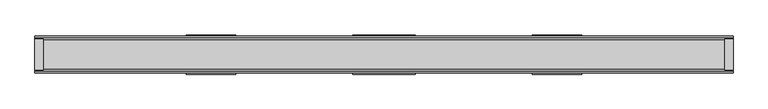
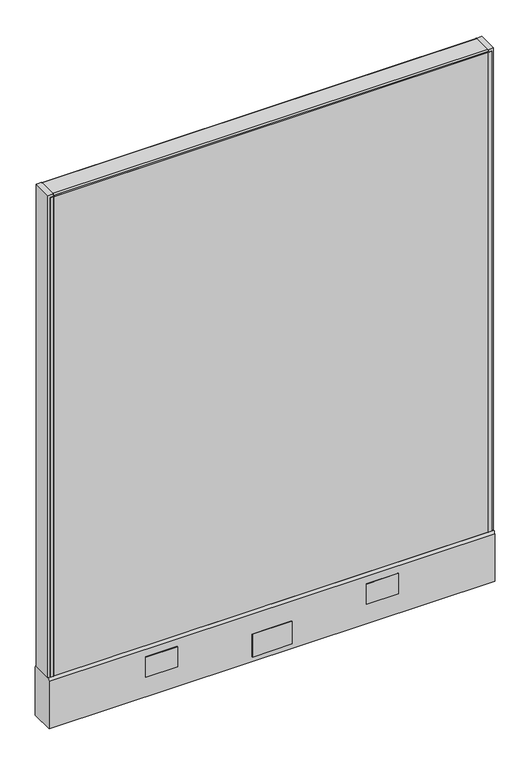
"""IFC4 building model written with IfcOpenShell, lengths in millimetres: furniture geometry."""

from ifc_helpers import new_model, si_unit, point, frame, frame_2d, origin, place, context, project, spatial, polyline, circle_curve, trimmed, segment, composite_curve, outline, extrude, source, transform, mapped, element, save
from ifc_brep_helpers import plane_surface, cylinder_surface, advanced_brep


def furniture_3b9d6d40(model_context):
    return source(origin(), model_context, "Body", "SolidModel", [
        extrude(outline(polyline([(520.7, 25.4), (520.7, 0.0), (-520.7, 0.0), (-520.7, 25.4), (520.7, 25.4)])), frame((0.0, 0.0, 136.525), z_axis=(0.0, 0.0, 1.0), x_axis=(1.0, 0.0, 0.0)), (0.0, 0.0, 1.0), 1212.85),
        extrude(outline(polyline([(47.625, 28.575), (-47.625, 28.575), (-47.625, 30.1625), (47.625, 30.1625), (47.625, 28.575)])), frame((0.0, 0.0, 22.225), z_axis=(0.0, 0.0, 1.0), x_axis=(1.0, 0.0, 0.0)), (0.0, 0.0, 1.0), 57.15),
        extrude(outline(polyline([(47.625, -30.1625), (-47.625, -30.1625), (-47.625, -28.575), (47.625, -28.575), (47.625, -30.1625)])), frame((0.0, 0.0, 22.225), z_axis=(0.0, 0.0, 1.0), x_axis=(1.0, 0.0, 0.0)), (0.0, 0.0, 1.0), 57.15),
        advanced_brep(
        [(476.25, 0.0, 0.0), (501.65, 0.0, 0.0), (488.95, 0.0, 0.0), (476.25, 0.0, 4.7625), (501.65, 0.0, 4.7625), (482.6, 0.0, 4.7625), (495.3, 0.0, 4.7625), (482.6, 0.0, 111.125), (495.3, 0.0, 111.125), (488.95, 0.0, 111.125)],
        [
            (0, 1, circle_curve(frame((488.95, 0.0, 0.0), z_axis=(0.0, 0.0, -1.0), x_axis=(1.0, 0.0, 0.0)), 12.7)),
            (1, 2),
            (2, 0),
            (1, 0, circle_curve(frame((488.95, 0.0, 0.0), z_axis=(0.0, 0.0, -1.0), x_axis=(1.0, 0.0, 0.0)), 12.7)),
            (3, 4, circle_curve(frame((488.95, 0.0, 4.7625), z_axis=(0.0, 0.0, -1.0), x_axis=(1.0, 0.0, 0.0)), 12.7)),
            (4, 1),
            (0, 3),
            (4, 3, circle_curve(frame((488.95, 0.0, 4.7625), z_axis=(0.0, 0.0, -1.0), x_axis=(1.0, 0.0, 0.0)), 12.7)),
            (5, 6, circle_curve(frame((488.95, 0.0, 4.7625), z_axis=(0.0, 0.0, -1.0), x_axis=(1.0, 0.0, 0.0)), 6.35)),
            (6, 4),
            (3, 5),
            (6, 5, circle_curve(frame((488.95, 0.0, 4.7625), z_axis=(0.0, 0.0, -1.0), x_axis=(1.0, 0.0, 0.0)), 6.35)),
            (7, 8, circle_curve(frame((488.95, 0.0, 111.125), z_axis=(0.0, 0.0, -1.0), x_axis=(1.0, 0.0, 0.0)), 6.35)),
            (8, 6),
            (5, 7),
            (8, 7, circle_curve(frame((488.95, 0.0, 111.125), z_axis=(0.0, 0.0, -1.0), x_axis=(1.0, 0.0, 0.0)), 6.35)),
            (9, 8),
            (7, 9),
        ],
        [
            plane_surface(frame((488.95, 0.0, 0.0), z_axis=(0.0, 0.0, -1.0), x_axis=(1.0, 0.0, 0.0))),
            cylinder_surface(frame((488.95, 0.0, 114.882153), z_axis=(0.0, 0.0, 1.0), x_axis=(1.0, 0.0, 0.0)), 12.7),
            plane_surface(frame((488.95, 0.0, 4.7625), z_axis=(0.0, 0.0, 1.0), x_axis=(1.0, 0.0, 0.0))),
            cylinder_surface(frame((488.95, 0.0, 114.882153), z_axis=(0.0, 0.0, 1.0), x_axis=(1.0, 0.0, 0.0)), 6.35),
            plane_surface(frame((488.95, 0.0, 111.125), z_axis=(0.0, 0.0, 1.0), x_axis=(1.0, 0.0, 0.0))),
        ],
        [
            (0, [[1, 2, 3]]),
            (0, [[4, -3, -2]]),
            (1, [[5, 6, -1, 7]]),
            (1, [[8, -7, -4, -6]]),
            (2, [[9, 10, -5, 11]]),
            (2, [[12, -11, -8, -10]]),
            (3, [[13, 14, -9, 15]]),
            (3, [[16, -15, -12, -14]]),
            (4, [[17, -13, 18]]),
            (4, [[-18, -16, -17]]),
        ],
    ),
        advanced_brep(
        [(-501.65, 0.0, 4.7625), (-476.25, 0.0, 4.7625), (-476.25, 0.0, 0.0), (-501.65, 0.0, 0.0), (-495.3, 0.0, 4.7625), (-482.6, 0.0, 4.7625), (-495.3, 0.0, 111.125), (-482.6, 0.0, 111.125), (-488.95, 0.0, 111.125), (-488.95, 0.0, 0.0)],
        [
            (0, 1, circle_curve(frame((-488.95, 0.0, 4.7625), z_axis=(0.0, 0.0, -1.0), x_axis=(1.0, 0.0, 0.0)), 12.7)),
            (1, 2),
            (2, 3, circle_curve(frame((-488.95, 0.0, 0.0), z_axis=(0.0, 0.0, 1.0), x_axis=(1.0, 0.0, 0.0)), 12.7)),
            (3, 0),
            (1, 0, circle_curve(frame((-488.95, 0.0, 4.7625), z_axis=(0.0, 0.0, -1.0), x_axis=(1.0, 0.0, 0.0)), 12.7)),
            (3, 2, circle_curve(frame((-488.95, 0.0, 0.0), z_axis=(0.0, 0.0, 1.0), x_axis=(1.0, 0.0, 0.0)), 12.7)),
            (4, 5, circle_curve(frame((-488.95, 0.0, 4.7625), z_axis=(0.0, 0.0, -1.0), x_axis=(1.0, 0.0, 0.0)), 6.35)),
            (5, 1),
            (0, 4),
            (5, 4, circle_curve(frame((-488.95, 0.0, 4.7625), z_axis=(0.0, 0.0, -1.0), x_axis=(1.0, 0.0, 0.0)), 6.35)),
            (6, 7, circle_curve(frame((-488.95, 0.0, 111.125), z_axis=(0.0, 0.0, -1.0), x_axis=(1.0, 0.0, 0.0)), 6.35)),
            (7, 5),
            (4, 6),
            (7, 6, circle_curve(frame((-488.95, 0.0, 111.125), z_axis=(0.0, 0.0, -1.0), x_axis=(1.0, 0.0, 0.0)), 6.35)),
            (8, 7),
            (6, 8),
            (2, 9),
            (9, 3),
        ],
        [
            cylinder_surface(frame((-488.95, 0.0, 123.825), z_axis=(0.0, 0.0, 1.0), x_axis=(1.0, 0.0, 0.0)), 12.7),
            plane_surface(frame((-488.95, 0.0, 4.7625), z_axis=(0.0, 0.0, 1.0), x_axis=(1.0, 0.0, 0.0))),
            cylinder_surface(frame((-488.95, 0.0, 123.825), z_axis=(0.0, 0.0, 1.0), x_axis=(1.0, 0.0, 0.0)), 6.35),
            plane_surface(frame((-488.95, 0.0, 111.125), z_axis=(0.0, 0.0, 1.0), x_axis=(1.0, 0.0, 0.0))),
            plane_surface(frame((-488.95, 0.0, 0.0), z_axis=(0.0, 0.0, -1.0), x_axis=(1.0, 0.0, 0.0))),
        ],
        [
            (0, [[1, 2, 3, 4]]),
            (0, [[5, -4, 6, -2]]),
            (1, [[7, 8, -1, 9]]),
            (1, [[10, -9, -5, -8]]),
            (2, [[11, 12, -7, 13]]),
            (2, [[14, -13, -10, -12]]),
            (3, [[15, -11, 16]]),
            (3, [[-16, -14, -15]]),
            (4, [[-3, 17, 18]]),
            (4, [[-6, -18, -17]]),
        ],
    ),
        extrude(outline(polyline([(-533.4, 23.8125), (-520.7, 23.8125), (-520.7, -23.8125), (-533.4, -23.8125), (-533.4, 23.8125)])), frame((0.0, 0.0, 136.525), z_axis=(0.0, 0.0, 1.0), x_axis=(1.0, 0.0, 0.0)), (0.0, 0.0, 1.0), 1219.2),
        extrude(outline(polyline([(533.4, 23.8125), (533.4, -23.8125), (520.7, -23.8125), (520.7, 23.8125), (533.4, 23.8125)])), frame((0.0, 0.0, 136.525), z_axis=(0.0, 0.0, 1.0), x_axis=(1.0, 0.0, 0.0)), (0.0, 0.0, 1.0), 1219.2),
        extrude(outline(polyline([(-520.7, 25.4), (-520.7, 23.8125), (-528.6375, 23.8125), (-528.6375, 25.4), (-520.7, 25.4)])), frame((0.0, 0.0, 136.525), z_axis=(0.0, 0.0, 1.0), x_axis=(1.0, 0.0, 0.0)), (0.0, 0.0, 1.0), 1212.85),
        extrude(outline(polyline([(-520.7, -25.4), (-528.6375, -25.4), (-528.6375, -23.8125), (-520.7, -23.8125), (-520.7, -25.4)])), frame((0.0, 0.0, 136.525), z_axis=(0.0, 0.0, 1.0), x_axis=(1.0, 0.0, 0.0)), (0.0, 0.0, 1.0), 1212.85),
        extrude(outline(polyline([(528.6375, 25.4), (528.6375, 23.8125), (520.7, 23.8125), (520.7, 25.4), (528.6375, 25.4)])), frame((0.0, 0.0, 136.525), z_axis=(0.0, 0.0, 1.0), x_axis=(1.0, 0.0, 0.0)), (0.0, 0.0, 1.0), 1212.85),
        extrude(outline(polyline([(520.7, -23.8125), (528.6375, -23.8125), (528.6375, -25.4), (520.7, -25.4), (520.7, -23.8125)])), frame((0.0, 0.0, 136.525), z_axis=(0.0, 0.0, 1.0), x_axis=(1.0, 0.0, 0.0)), (0.0, 0.0, 1.0), 1212.85),
        extrude(outline(composite_curve([segment(trimmed(circle_curve(frame_2d((22.225, 1352.55)), 3.175), [point((22.225, 1355.725))], [point((25.4, 1352.55))], False, "CARTESIAN"), True, "CONTINUOUS"), segment(polyline([(25.4, 1352.55), (25.4, 1349.375), (-25.4, 1349.375), (-25.4, 1352.55)]), True, "CONTINUOUS"), segment(trimmed(circle_curve(frame_2d((-22.225, 1352.55)), 3.175), [point((-25.4, 1352.55))], [point((-22.225, 1355.725))], False, "CARTESIAN"), True, "CONTINUOUS"), segment(polyline([(-22.225, 1355.725), (22.225, 1355.725)]), True, "CONTINUOUS")], self_intersect=False)), frame((-520.7, 0.0, 0.0), z_axis=(1.0, 0.0, 0.0), x_axis=(0.0, 1.0, 0.0)), (0.0, 0.0, 1.0), 1041.4),
        extrude(outline(polyline([(302.514, 30.1625), (302.514, 28.575), (226.206184, 28.575), (226.206184, 30.1625), (302.514, 30.1625)])), frame((0.0, 0.0, 60.325), z_axis=(0.0, 0.0, 1.0), x_axis=(1.0, 0.0, 0.0)), (0.0, 0.0, 1.0), 50.8),
        extrude(outline(polyline([(-226.206184, 30.1625), (-226.206184, 28.575), (-302.514, 28.575), (-302.514, 30.1625), (-226.206184, 30.1625)])), frame((0.0, 0.0, 60.325), z_axis=(0.0, 0.0, 1.0), x_axis=(1.0, 0.0, 0.0)), (0.0, 0.0, 1.0), 50.8),
        extrude(outline(polyline([(302.514, -28.575), (302.514, -30.1625), (226.206184, -30.1625), (226.206184, -28.575), (302.514, -28.575)])), frame((0.0, 0.0, 60.325), z_axis=(0.0, 0.0, 1.0), x_axis=(1.0, 0.0, 0.0)), (0.0, 0.0, 1.0), 50.8),
        extrude(outline(polyline([(-226.206184, -28.575), (-226.206184, -30.1625), (-302.514, -30.1625), (-302.514, -28.575), (-226.206184, -28.575)])), frame((0.0, 0.0, 60.325), z_axis=(0.0, 0.0, 1.0), x_axis=(1.0, 0.0, 0.0)), (0.0, 0.0, 1.0), 50.8),
        extrude(outline(composite_curve([segment(trimmed(circle_curve(frame_2d((20.6375, 130.175)), 7.9375), [point((25.4, 136.525))], [point((28.575, 130.175))], False, "CARTESIAN"), True, "CONTINUOUS"), segment(polyline([(28.575, 130.175), (28.575, 9.525), (-28.575, 9.525), (-28.575, 130.175)]), True, "CONTINUOUS"), segment(trimmed(circle_curve(frame_2d((-20.6375, 130.175)), 7.9375), [point((-28.575, 130.175))], [point((-25.4, 136.525))], False, "CARTESIAN"), True, "CONTINUOUS"), segment(polyline([(-25.4, 136.525), (25.4, 136.525)]), True, "CONTINUOUS")], self_intersect=False)), frame((-533.4, 0.0, 0.0), z_axis=(1.0, 0.0, 0.0), x_axis=(0.0, 1.0, 0.0)), (0.0, 0.0, 1.0), 1066.8),
        extrude(outline(polyline([(520.7, 0.0), (520.7, -25.4), (-520.7, -25.4), (-520.7, 0.0), (520.7, 0.0)])), frame((0.0, 0.0, 136.525), z_axis=(0.0, 0.0, 1.0), x_axis=(1.0, 0.0, 0.0)), (0.0, 0.0, 1.0), 1212.85),
    ])


if __name__ == "__main__":
    model = new_model("IFC4")
    model_context = context("Model", 3, world=origin())
    ifc_project = project(units=[si_unit("LENGTHUNIT", "METRE", prefix="MILLI")], contexts=[model_context])
    site = spatial("IfcSite", under=ifc_project)
    building = spatial("IfcBuilding", under=site)
    placement = place(None, origin())
    furniture_shape = furniture_3b9d6d40(model_context)
    element("IfcFurniture", 1, at=placement, inside=building, context=model_context, shape_type="MappedRepresentation", body=[
        mapped(furniture_shape, transform((0.0, 0.0, 0.0), x_axis=(1.0, 0.0, 0.0), y_axis=(0.0, 1.0, 0.0), z_axis=(0.0, 0.0, 1.0))),
    ])
    save(model, "model.ifc")
